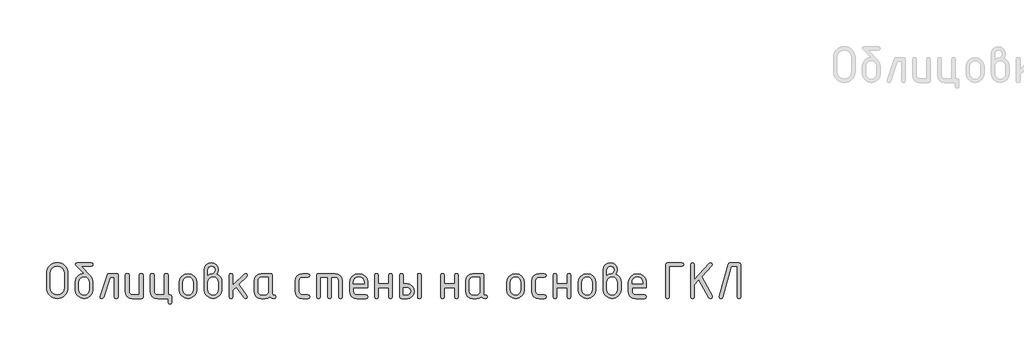
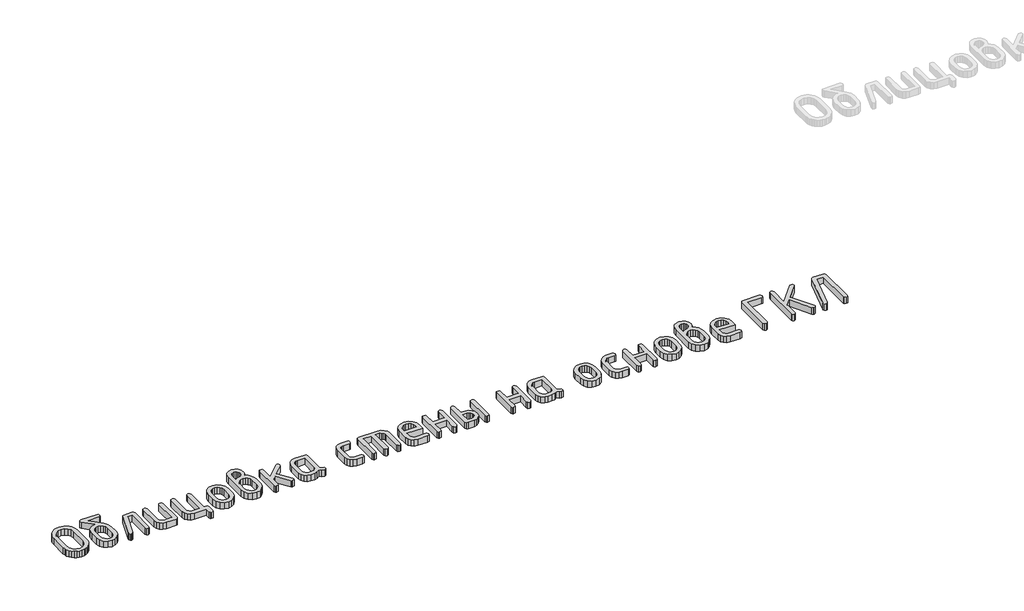
# One storey, part 8 of 33: 1 proxy.
"""IFC4 building model written with IfcOpenShell, lengths in millimetres."""

from ifc_helpers import new_model, si_unit, origin, origin_with_axes, place, context, project, spatial, polyline, outline, extrude, element, save

model = new_model("IFC4")

# Units and contexts
model_context = context("Model", 3, world=origin())
ifc_project = project(units=[si_unit("LENGTHUNIT", "METRE", prefix="MILLI")], contexts=[model_context])

# Site, building, storey
site = spatial("IfcSite", under=ifc_project)
building = spatial("IfcBuilding", under=site)
storey = spatial("IfcBuildingStorey", under=building, Elevation=0.0)

# Proxy
placement = place(None, origin())
element("IfcBuildingElementProxy", 1, Name="Generic Models", at=placement, inside=storey, context=model_context, shape_type="SweptSolid", body=[
    extrude(outline(polyline([(-6828.1912649, -12641.4377514), (-6829.8456608, -12659.6714129), (-6834.8088483, -12676.5230486), (-6843.0808275, -12691.9926585), (-6854.6615984, -12706.0802426), (-6868.5827341, -12717.8022424), (-6883.8758079, -12726.1750994), (-6900.5408197, -12731.1988136), (-6918.5777695, -12732.873385), (-6936.6147193, -12731.1988136), (-6953.279731, -12726.1750994), (-6968.5728048, -12717.8022424), (-6982.4939405, -12706.0802426), (-6994.0747114, -12691.9926585), (-7002.3466906, -12676.5230486), (-7007.3098782, -12659.6714129), (-7008.964274, -12641.4377514), (-7008.964274, -12519.5773747), (-7007.3098782, -12501.3437132), (-7002.3466906, -12484.4920775), (-6994.0747114, -12469.0224676), (-6982.4939405, -12454.9348835), (-6968.5728048, -12443.2128837), (-6953.279731, -12434.8400267), (-6936.6147193, -12429.8163125), (-6918.5777695, -12428.1417411), (-6900.4424638, -12429.8087467), (-6883.7244912, -12434.8097634), (-6868.4238516, -12443.1447912), (-6854.540545, -12454.8138302), (-6843.012735, -12468.8635851), (-6834.778585, -12484.3407608), (-6829.8380949, -12501.2453574), (-6828.1912649, -12519.5773747), (-6828.1912649, -12641.4377514)]), holes=[polyline([(-6859.1809236, -12641.1956447), (-6859.1809236, -12519.8194814), (-6863.4884055, -12496.2947796), (-6876.4108511, -12476.7244873), (-6895.5675444, -12463.5296717), (-6918.5777695, -12459.1313998), (-6941.5879946, -12463.5296717), (-6960.7446879, -12476.7244873), (-6973.6671334, -12496.2947796), (-6977.9746153, -12519.8194814), (-6977.9746153, -12641.1956447), (-6973.6671334, -12664.7203465), (-6960.7446879, -12684.2906388), (-6941.5879946, -12697.4854544), (-6918.5777695, -12701.8837263), (-6895.5675444, -12697.4854544), (-6876.4108511, -12684.2906388), (-6863.4884055, -12664.7203465), (-6859.1809236, -12641.1956447)])]), origin_with_axes(), (0.0, 0.0, 1.0), 50.0),
    extrude(outline(polyline([(-6616.4285971, -12596.0023924), (-6616.4285971, -12656.8518785), (-6621.9062614, -12686.0761758), (-6638.3392543, -12710.6399189), (-6662.5398374, -12727.3150185), (-6691.3202723, -12732.873385), (-6720.1007073, -12727.3049307), (-6744.3012904, -12710.5995678), (-6760.7342832, -12685.9853857), (-6766.2119475, -12656.690474), (-6766.2119475, -12595.7602857), (-6763.6193882, -12574.3287981), (-6755.8417102, -12555.9539077), (-6742.8789135, -12540.6356145), (-6724.7309981, -12528.3739185), (-6709.0142376, -12521.7765107), (-6694.4676595, -12519.5773747), (-6761.0470044, -12452.5945187), (-6766.2119475, -12443.6365705), (-6762.4794691, -12432.0154484), (-6751.2820338, -12428.1417411), (-6631.3585108, -12428.1417411), (-6620.1610756, -12432.0154484), (-6616.4285971, -12443.6365705), (-6620.1610756, -12455.2576925), (-6631.3585108, -12459.1313998), (-6716.3379656, -12459.1313998), (-6640.962077, -12539.5108271), (-6622.5619671, -12566.7881829), (-6616.4285971, -12596.0023924)]), holes=[polyline([(-6647.4182558, -12656.3676651), (-6647.4182558, -12595.7602857), (-6650.6362575, -12578.3286027), (-6660.2902625, -12563.6407957), (-6674.4837683, -12553.6538939), (-6691.3202723, -12550.3249267), (-6708.1567764, -12553.6538939), (-6722.3502822, -12563.6407957), (-6732.0042872, -12578.3286027), (-6735.2222888, -12595.7602857), (-6735.2222888, -12656.3676651), (-6732.0345505, -12673.9607526), (-6722.4713355, -12688.6485595), (-6708.3080931, -12698.5749346), (-6691.3202723, -12701.8837263), (-6674.4837683, -12698.554759), (-6660.2902625, -12688.5678573), (-6650.6362575, -12673.8598748), (-6647.4182558, -12656.3676651)])]), origin_with_axes(), (0.0, 0.0, 1.0), 50.0),
    extrude(outline(polyline([(-6481.090947, -12521.1107172), (-6420.1607587, -12521.1107172), (-6408.5396367, -12524.8835467), (-6404.6659294, -12536.2020354), (-6404.6659294, -12717.7820668), (-6408.5396367, -12729.1005554), (-6420.1607587, -12732.873385), (-6431.7818807, -12729.1005554), (-6435.6555881, -12717.7820668), (-6435.6555881, -12552.1003759), (-6470.2768474, -12552.1003759), (-6527.4140306, -12722.624201), (-6532.7202027, -12730.311089), (-6541.6983264, -12732.873385), (-6553.0773417, -12729.0400288), (-6556.8703468, -12717.5399601), (-6556.1440267, -12712.9399326), (-6496.2629675, -12533.4581593), (-6490.3717042, -12524.1975777), (-6481.090947, -12521.1107172)])), origin_with_axes(), (0.0, 0.0, 1.0), 50.0),
    extrude(outline(polyline([(-6192.9032616, -12536.2020354), (-6192.9032616, -12717.7820668), (-6196.6559156, -12729.1005554), (-6207.9138775, -12732.873385), (-6282.8055527, -12732.873385), (-6306.0276212, -12728.4952887), (-6325.3356312, -12715.3609997), (-6338.3488668, -12695.8512341), (-6342.686612, -12672.3467078), (-6342.686612, -12536.2020354), (-6338.8129046, -12524.8835467), (-6327.1917826, -12521.1107172), (-6315.5706606, -12524.8835467), (-6311.6969533, -12536.2020354), (-6311.6969533, -12671.7817922), (-6309.5381685, -12683.2112464), (-6303.061814, -12692.9661292), (-6293.5793012, -12699.654327), (-6282.4020415, -12701.8837263), (-6223.8929203, -12701.8837263), (-6223.8929203, -12536.2020354), (-6220.019213, -12524.8835467), (-6208.3980909, -12521.1107172), (-6196.7769689, -12524.8835467), (-6192.9032616, -12536.2020354)])), origin_with_axes(), (0.0, 0.0, 1.0), 50.0),
    extrude(outline(polyline([(-5965.6457645, -12701.8837263), (-5954.0246425, -12705.7574336), (-5950.1509351, -12717.3785556), (-5950.1509351, -12763.8630437), (-5954.0246425, -12775.4841657), (-5965.6457645, -12779.357873), (-5977.2668865, -12775.4841657), (-5981.1405938, -12763.8630437), (-5981.1405938, -12732.873385), (-6071.0428849, -12732.873385), (-6094.2649534, -12728.4650253), (-6113.5729634, -12715.2399464), (-6126.586199, -12695.6999174), (-6130.9239442, -12672.3467078), (-6130.9239442, -12536.2020354), (-6127.0502369, -12524.8835467), (-6115.4291148, -12521.1107172), (-6103.8079928, -12524.8835467), (-6099.9342855, -12536.2020354), (-6099.9342855, -12671.7817922), (-6097.7755007, -12683.2112464), (-6091.2991462, -12692.9661292), (-6081.8166335, -12699.654327), (-6070.6393738, -12701.8837263), (-6012.1302525, -12701.8837263), (-6012.1302525, -12536.2020354), (-6008.2565452, -12524.8835467), (-5996.6354232, -12521.1107172), (-5985.0143012, -12524.8835467), (-5981.1405938, -12536.2020354), (-5981.1405938, -12701.8837263), (-5965.6457645, -12701.8837263)])), origin_with_axes(), (0.0, 0.0, 1.0), 50.0),
    extrude(outline(polyline([(-5888.1716177, -12657.2553897), (-5888.1716177, -12596.7287125), (-5882.6939534, -12567.6557319), (-5866.2609606, -12543.2231299), (-5842.0603775, -12526.6388204), (-5813.2799425, -12521.1107172), (-5784.1968742, -12526.5782937), (-5760.0568178, -12542.9810232), (-5743.8054049, -12567.3530985), (-5738.3882673, -12596.7287125), (-5738.3882673, -12657.2553897), (-5743.8659316, -12686.3283703), (-5760.2989245, -12710.7609723), (-5784.4995075, -12727.3452818), (-5813.2799425, -12732.873385), (-5842.0603775, -12727.3452818), (-5866.2609606, -12710.7609723), (-5882.6939534, -12686.3283703), (-5888.1716177, -12657.2553897)]), holes=[polyline([(-5769.377926, -12656.3676651), (-5769.377926, -12595.7602857), (-5772.5959277, -12578.3286027), (-5782.2499327, -12563.6407957), (-5796.4434385, -12553.6538939), (-5813.2799425, -12550.3249267), (-5830.1164466, -12553.6538939), (-5844.3099523, -12563.6407957), (-5853.9639574, -12578.3286027), (-5857.181959, -12595.7602857), (-5857.181959, -12656.3676651), (-5853.9942207, -12673.9607526), (-5844.4310057, -12688.6485595), (-5830.2677633, -12698.5749346), (-5813.2799425, -12701.8837263), (-5796.4434385, -12698.554759), (-5782.2499327, -12688.5678573), (-5772.5959277, -12673.8598748), (-5769.377926, -12656.3676651)])]), origin_with_axes(), (0.0, 0.0, 1.0), 50.0),
    extrude(outline(polyline([(-5571.5767451, -12525.7914469), (-5553.0454941, -12537.18055), (-5538.7712861, -12553.7547717), (-5529.6620212, -12573.8395408), (-5526.6255996, -12595.7602857), (-5526.6255996, -12656.690474), (-5532.1032638, -12686.1367024), (-5548.5362567, -12710.7206211), (-5572.7368398, -12727.335194), (-5601.5172748, -12732.873385), (-5630.4490264, -12727.3049307), (-5654.6193462, -12710.5995678), (-5670.961549, -12685.9853857), (-5676.4089499, -12656.690474), (-5676.4089499, -12489.0719294), (-5672.0812925, -12465.4665253), (-5659.0983203, -12445.8155308), (-5639.9214514, -12432.5601885), (-5617.0121041, -12428.1417411), (-5594.001879, -12432.5904519), (-5574.8451857, -12445.9365842), (-5561.9227401, -12465.617842), (-5557.6152583, -12489.0719294), (-5561.10563, -12509.7922286), (-5571.5767451, -12525.7914469)]), holes=[polyline([(-5557.6152583, -12656.3676651), (-5557.6152583, -12595.7602857), (-5560.8029966, -12578.3286027), (-5570.3662116, -12563.6407957), (-5584.529454, -12553.6538939), (-5601.5172748, -12550.3249267), (-5618.5050955, -12553.6538939), (-5632.6683379, -12563.6407957), (-5642.2315529, -12578.3286027), (-5645.4192912, -12595.7602857), (-5645.4192912, -12656.3676651), (-5642.2315529, -12673.9607526), (-5632.6683379, -12688.6485595), (-5618.5050955, -12698.5749346), (-5601.5172748, -12701.8837263), (-5584.529454, -12698.554759), (-5570.3662116, -12688.5678573), (-5560.8029966, -12673.8598748), (-5557.6152583, -12656.3676651)]), polyline([(-5645.4192912, -12535.8792264), (-5626.9384792, -12524.5607378), (-5610.0717118, -12520.7879083), (-5600.9927102, -12518.14491), (-5592.6400288, -12510.2159153), (-5586.7689411, -12500.3500669), (-5584.8119119, -12490.4438674), (-5586.9908722, -12478.6411654), (-5593.5277534, -12468.8963704), (-5603.292724, -12462.3594893), (-5615.1559527, -12460.1805289), (-5626.807338, -12462.3897526), (-5636.5823964, -12469.0174237), (-5643.2100675, -12478.7924821), (-5645.4192912, -12490.4438674), (-5645.4192912, -12535.8792264)])]), origin_with_axes(), (0.0, 0.0, 1.0), 50.0),
    extrude(outline(polyline([(-5433.6566235, -12620.5358722), (-5338.4279848, -12525.468638), (-5327.6138851, -12521.1107172), (-5316.2348698, -12524.8835467), (-5312.4418647, -12536.2020354), (-5317.0418922, -12546.7740283), (-5383.621237, -12613.2726709), (-5315.4278474, -12709.0662253), (-5312.4418647, -12717.9434713), (-5316.2348698, -12729.1409066), (-5327.6138851, -12732.873385), (-5334.756033, -12731.2593403), (-5340.203434, -12726.4172061), (-5405.4108408, -12634.820168), (-5433.6566235, -12663.0659507), (-5433.6566235, -12717.7013646), (-5437.5303308, -12729.0803799), (-5449.1514528, -12732.873385), (-5460.7725748, -12729.1005554), (-5464.6462822, -12717.7820668), (-5464.6462822, -12536.2020354), (-5460.7725748, -12524.8835467), (-5449.1514528, -12521.1107172), (-5437.5303308, -12524.8835467), (-5433.6566235, -12536.2020354), (-5433.6566235, -12620.5358722)])), origin_with_axes(), (0.0, 0.0, 1.0), 50.0),
    extrude(outline(polyline([(-5072.8369254, -12717.7820668), (-5076.609755, -12729.1005554), (-5087.9282436, -12732.873385), (-5107.0748491, -12728.8584487), (-5122.3880985, -12716.81364), (-5140.8083839, -12728.8584487), (-5162.9813233, -12732.873385), (-5193.0025551, -12732.873385), (-5216.2246236, -12728.4952887), (-5235.5326336, -12715.3609997), (-5248.5458692, -12695.8512341), (-5252.8836144, -12672.3467078), (-5252.8836144, -12581.6373943), (-5248.5458692, -12558.1328681), (-5235.5326336, -12538.6231025), (-5216.2246236, -12525.4888135), (-5193.0025551, -12521.1107172), (-5118.1108799, -12521.1107172), (-5106.852918, -12524.8835467), (-5103.100264, -12536.2020354), (-5103.100264, -12687.5187282), (-5099.3173467, -12698.8372169), (-5087.9685947, -12702.6100464), (-5076.6198428, -12706.4030515), (-5072.8369254, -12717.7820668)]), holes=[polyline([(-5134.0899227, -12552.1003759), (-5192.599044, -12552.1003759), (-5203.8771815, -12554.2894241), (-5213.3395187, -12560.8565685), (-5219.7553464, -12570.5307491), (-5221.8939557, -12582.0409055), (-5221.8939557, -12671.9431967), (-5219.7351709, -12683.3524753), (-5213.2588164, -12693.0468314), (-5203.7763037, -12699.6745026), (-5192.599044, -12701.8837263), (-5163.3848345, -12701.8837263), (-5152.1066969, -12699.6946781), (-5142.6443597, -12693.1275337), (-5136.228532, -12683.4533531), (-5134.0899227, -12671.9431967), (-5134.0899227, -12552.1003759)])]), origin_with_axes(), (0.0, 0.0, 1.0), 50.0),
    extrude(outline(polyline([(-4875.8427669, -12582.0409055), (-4875.8427669, -12671.9431967), (-4873.6032798, -12683.3524753), (-4866.8848187, -12693.0468314), (-4857.079497, -12699.6745026), (-4845.5794283, -12701.8837263), (-4800.0633671, -12701.8837263), (-4788.7448785, -12705.7574336), (-4784.9720489, -12717.3785556), (-4788.7448785, -12728.9996776), (-4800.0633671, -12732.873385), (-4845.5794283, -12732.873385), (-4869.1243057, -12728.4952887), (-4888.9165292, -12715.3609997), (-4902.3534515, -12695.8512341), (-4906.8324256, -12672.3467078), (-4906.8324256, -12581.6373943), (-4902.3534515, -12558.1328681), (-4888.9165292, -12538.6231025), (-4869.1243057, -12525.4888135), (-4845.5794283, -12521.1107172), (-4800.0633671, -12521.1107172), (-4788.7448785, -12524.9844245), (-4784.9720489, -12536.6055466), (-4788.7448785, -12548.2266686), (-4800.0633671, -12552.1003759), (-4845.5794283, -12552.1003759), (-4857.2308137, -12554.2894241), (-4867.005872, -12560.8565685), (-4873.6335432, -12570.5307491), (-4875.8427669, -12582.0409055)])), origin_with_axes(), (0.0, 0.0, 1.0), 50.0),
    extrude(outline(polyline([(-4710.5645872, -12521.1107172), (-4571.111123, -12521.1107172), (-4547.2232611, -12525.5190769), (-4527.2091065, -12538.7441558), (-4513.6511308, -12558.2841847), (-4509.1318056, -12581.6373943), (-4509.1318056, -12717.7820668), (-4513.005513, -12729.1005554), (-4524.626635, -12732.873385), (-4536.247757, -12729.1005554), (-4540.1214643, -12717.7820668), (-4540.1214643, -12582.20231), (-4542.3508636, -12570.4702224), (-4549.0390614, -12560.7758663), (-4559.0158754, -12554.2692485), (-4571.111123, -12552.1003759), (-4602.1007817, -12552.1003759), (-4602.1007817, -12717.7820668), (-4605.9744891, -12729.1005554), (-4617.5956111, -12732.873385), (-4629.2167331, -12729.1005554), (-4633.0904404, -12717.7820668), (-4633.0904404, -12552.1003759), (-4695.0697578, -12552.1003759), (-4695.0697578, -12717.7820668), (-4698.9434651, -12729.1005554), (-4710.5645872, -12732.873385), (-4722.1857092, -12729.1005554), (-4726.0594165, -12717.7820668), (-4726.0594165, -12536.2020354), (-4722.1857092, -12524.8835467), (-4710.5645872, -12521.1107172)])), origin_with_axes(), (0.0, 0.0, 1.0), 50.0),
    extrude(outline(polyline([(-4416.1628295, -12639.9044089), (-4416.1628295, -12670.8940676), (-4413.9233425, -12682.6866818), (-4407.2048813, -12692.7240225), (-4397.3995596, -12699.5938003), (-4385.8994909, -12701.8837263), (-4310.1200912, -12701.8837263), (-4298.7410759, -12705.7574336), (-4294.9480708, -12717.3785556), (-4298.7410759, -12728.9996776), (-4310.1200912, -12732.873385), (-4385.8994909, -12732.873385), (-4409.4443684, -12728.4952887), (-4429.2365918, -12715.3609997), (-4442.6735141, -12695.8512341), (-4447.1524882, -12672.3467078), (-4447.1524882, -12596.7287125), (-4441.533595, -12567.6557319), (-4424.6769154, -12543.2231299), (-4399.9517678, -12526.6388204), (-4370.7274705, -12521.1107172), (-4341.2812421, -12526.4774159), (-4316.8587279, -12542.577512), (-4300.425735, -12566.5057251), (-4294.9480708, -12595.3567745), (-4294.9480708, -12639.9044089), (-4416.1628295, -12639.9044089)]), holes=[polyline([(-4370.7274705, -12548.3073708), (-4388.1591536, -12551.636338), (-4402.8469605, -12561.6232398), (-4412.8338623, -12576.3110468), (-4416.1628295, -12593.7427298), (-4416.1628295, -12608.9147502), (-4325.2921116, -12608.9147502), (-4325.2921116, -12593.7427298), (-4328.6210788, -12576.3110468), (-4338.6079805, -12561.6232398), (-4353.2957875, -12551.636338), (-4370.7274705, -12548.3073708)])]), origin_with_axes(), (0.0, 0.0, 1.0), 50.0),
    extrude(outline(polyline([(-4204.4001617, -12639.9044089), (-4204.4001617, -12717.3785556), (-4208.2738691, -12728.9996776), (-4219.8949911, -12732.873385), (-4231.5161131, -12729.1005554), (-4235.3898204, -12717.7820668), (-4235.3898204, -12536.2020354), (-4231.5161131, -12524.8835467), (-4219.8949911, -12521.1107172), (-4208.2738691, -12524.7624934), (-4204.4001617, -12535.717822), (-4204.4001617, -12608.9147502), (-4116.5961288, -12608.9147502), (-4116.5961288, -12535.717822), (-4112.7224214, -12524.7624934), (-4101.1012994, -12521.1107172), (-4089.4801774, -12524.8835467), (-4085.6064701, -12536.2020354), (-4085.6064701, -12717.7820668), (-4089.4801774, -12729.1005554), (-4101.1012994, -12732.873385), (-4112.7224214, -12728.9996776), (-4116.5961288, -12717.3785556), (-4116.5961288, -12639.9044089), (-4204.4001617, -12639.9044089)])), origin_with_axes(), (0.0, 0.0, 1.0), 50.0),
    extrude(outline(polyline([(-3873.8438023, -12536.2020354), (-3869.9700949, -12524.8835467), (-3858.3489729, -12521.1107172), (-3846.7278509, -12524.8835467), (-3842.8541436, -12536.2020354), (-3842.8541436, -12717.7820668), (-3846.7278509, -12729.1005554), (-3858.3489729, -12732.873385), (-3869.9700949, -12729.1005554), (-3873.8438023, -12717.7820668), (-3873.8438023, -12536.2020354)])), origin_with_axes(), (0.0, 0.0, 1.0), 50.0),
    extrude(outline(polyline([(-3901.766776, -12670.8940676), (-3906.1549601, -12694.9332462), (-3919.3195124, -12714.9171374), (-3938.8595413, -12728.3843231), (-3962.3741554, -12732.873385), (-4008.1323233, -12732.873385), (-4019.7534453, -12729.1005554), (-4023.6271527, -12717.7820668), (-4023.6271527, -12536.2020354), (-4019.7534453, -12524.8835467), (-4008.1323233, -12521.1107172), (-3996.5112013, -12524.7624934), (-3992.637494, -12535.717822), (-3992.637494, -12608.9147502), (-3962.3741554, -12608.9147502), (-3938.8595413, -12613.4038121), (-3919.3195124, -12626.8709977), (-3906.1549601, -12646.854889), (-3901.766776, -12670.8940676)]), holes=[polyline([(-3932.0301146, -12670.8940676), (-3934.209075, -12658.7988199), (-3940.7459561, -12648.822006), (-3950.5109267, -12642.1338082), (-3962.3741554, -12639.9044089), (-3992.637494, -12639.9044089), (-3992.637494, -12701.8837263), (-3962.3741554, -12701.8837263), (-3950.6622434, -12699.6240637), (-3940.8670094, -12692.8450758), (-3934.2393383, -12682.8379985), (-3932.0301146, -12670.8940676)])]), origin_with_axes(), (0.0, 0.0, 1.0), 50.0),
    extrude(outline(polyline([(-3646.5863052, -12639.9044089), (-3646.5863052, -12717.3785556), (-3650.4600125, -12728.9996776), (-3662.0811345, -12732.873385), (-3673.7022565, -12729.1005554), (-3677.5759639, -12717.7820668), (-3677.5759639, -12536.2020354), (-3673.7022565, -12524.8835467), (-3662.0811345, -12521.1107172), (-3650.4600125, -12524.7624934), (-3646.5863052, -12535.717822), (-3646.5863052, -12608.9147502), (-3558.7822722, -12608.9147502), (-3558.7822722, -12535.717822), (-3554.9085648, -12524.7624934), (-3543.2874428, -12521.1107172), (-3531.6663208, -12524.8835467), (-3527.7926135, -12536.2020354), (-3527.7926135, -12717.7820668), (-3531.6663208, -12729.1005554), (-3543.2874428, -12732.873385), (-3554.9085648, -12728.9996776), (-3558.7822722, -12717.3785556), (-3558.7822722, -12639.9044089), (-3646.5863052, -12639.9044089)])), origin_with_axes(), (0.0, 0.0, 1.0), 50.0),
    extrude(outline(polyline([(-3285.7666071, -12717.7820668), (-3289.5394367, -12729.1005554), (-3300.8579253, -12732.873385), (-3320.0045308, -12728.8584487), (-3335.3177802, -12716.81364), (-3353.7380656, -12728.8584487), (-3375.911005, -12732.873385), (-3405.9322368, -12732.873385), (-3429.1543053, -12728.4952887), (-3448.4623153, -12715.3609997), (-3461.4755509, -12695.8512341), (-3465.8132961, -12672.3467078), (-3465.8132961, -12581.6373943), (-3461.4755509, -12558.1328681), (-3448.4623153, -12538.6231025), (-3429.1543053, -12525.4888135), (-3405.9322368, -12521.1107172), (-3331.0405616, -12521.1107172), (-3319.7825997, -12524.8835467), (-3316.0299457, -12536.2020354), (-3316.0299457, -12687.5187282), (-3312.2470284, -12698.8372169), (-3300.8982764, -12702.6100464), (-3289.5495245, -12706.4030515), (-3285.7666071, -12717.7820668)]), holes=[polyline([(-3347.0196044, -12552.1003759), (-3405.5287256, -12552.1003759), (-3416.8068632, -12554.2894241), (-3426.2692003, -12560.8565685), (-3432.6850281, -12570.5307491), (-3434.8236374, -12582.0409055), (-3434.8236374, -12671.9431967), (-3432.6648526, -12683.3524753), (-3426.1884981, -12693.0468314), (-3416.7059854, -12699.6745026), (-3405.5287256, -12701.8837263), (-3376.3145161, -12701.8837263), (-3365.0363786, -12699.6946781), (-3355.5740414, -12693.1275337), (-3349.1582137, -12683.4533531), (-3347.0196044, -12671.9431967), (-3347.0196044, -12552.1003759)])]), origin_with_axes(), (0.0, 0.0, 1.0), 50.0),
    extrude(outline(polyline([(-3119.7621073, -12657.2553897), (-3119.7621073, -12596.7287125), (-3114.284443, -12567.6557319), (-3097.8514502, -12543.2231299), (-3073.6508671, -12526.6388204), (-3044.8704321, -12521.1107172), (-3015.7873637, -12526.5782937), (-2991.6473073, -12542.9810232), (-2975.3958945, -12567.3530985), (-2969.9787569, -12596.7287125), (-2969.9787569, -12657.2553897), (-2975.4564212, -12686.3283703), (-2991.889414, -12710.7609723), (-3016.0899971, -12727.3452818), (-3044.8704321, -12732.873385), (-3073.6508671, -12727.3452818), (-3097.8514502, -12710.7609723), (-3114.284443, -12686.3283703), (-3119.7621073, -12657.2553897)]), holes=[polyline([(-3000.9684156, -12656.3676651), (-3000.9684156, -12595.7602857), (-3004.1864173, -12578.3286027), (-3013.8404223, -12563.6407957), (-3028.0339281, -12553.6538939), (-3044.8704321, -12550.3249267), (-3061.7069361, -12553.6538939), (-3075.9004419, -12563.6407957), (-3085.5544469, -12578.3286027), (-3088.7724486, -12595.7602857), (-3088.7724486, -12656.3676651), (-3085.5847102, -12673.9607526), (-3076.0214953, -12688.6485595), (-3061.8582528, -12698.5749346), (-3044.8704321, -12701.8837263), (-3028.0339281, -12698.554759), (-3013.8404223, -12688.5678573), (-3004.1864173, -12673.8598748), (-3000.9684156, -12656.3676651)])]), origin_with_axes(), (0.0, 0.0, 1.0), 50.0),
    extrude(outline(polyline([(-2877.0097808, -12582.0409055), (-2877.0097808, -12671.9431967), (-2874.7702937, -12683.3524753), (-2868.0518326, -12693.0468314), (-2858.2465109, -12699.6745026), (-2846.7464422, -12701.8837263), (-2801.230381, -12701.8837263), (-2789.9118924, -12705.7574336), (-2786.1390628, -12717.3785556), (-2789.9118924, -12728.9996776), (-2801.230381, -12732.873385), (-2846.7464422, -12732.873385), (-2870.2913196, -12728.4952887), (-2890.0835431, -12715.3609997), (-2903.5204654, -12695.8512341), (-2907.9994395, -12672.3467078), (-2907.9994395, -12581.6373943), (-2903.5204654, -12558.1328681), (-2890.0835431, -12538.6231025), (-2870.2913196, -12525.4888135), (-2846.7464422, -12521.1107172), (-2801.230381, -12521.1107172), (-2789.9118924, -12524.9844245), (-2786.1390628, -12536.6055466), (-2789.9118924, -12548.2266686), (-2801.230381, -12552.1003759), (-2846.7464422, -12552.1003759), (-2858.3978276, -12554.2894241), (-2868.1728859, -12560.8565685), (-2874.8005571, -12570.5307491), (-2877.0097808, -12582.0409055)])), origin_with_axes(), (0.0, 0.0, 1.0), 50.0),
    extrude(outline(polyline([(-2696.2367717, -12639.9044089), (-2696.2367717, -12717.3785556), (-2700.1104791, -12728.9996776), (-2711.7316011, -12732.873385), (-2723.3527231, -12729.1005554), (-2727.2264304, -12717.7820668), (-2727.2264304, -12536.2020354), (-2723.3527231, -12524.8835467), (-2711.7316011, -12521.1107172), (-2700.1104791, -12524.7624934), (-2696.2367717, -12535.717822), (-2696.2367717, -12608.9147502), (-2608.4327387, -12608.9147502), (-2608.4327387, -12535.717822), (-2604.5590314, -12524.7624934), (-2592.9379094, -12521.1107172), (-2581.3167874, -12524.8835467), (-2577.44308, -12536.2020354), (-2577.44308, -12717.7820668), (-2581.3167874, -12729.1005554), (-2592.9379094, -12732.873385), (-2604.5590314, -12728.9996776), (-2608.4327387, -12717.3785556), (-2608.4327387, -12639.9044089), (-2696.2367717, -12639.9044089)])), origin_with_axes(), (0.0, 0.0, 1.0), 50.0),
    extrude(outline(polyline([(-2515.4637626, -12657.2553897), (-2515.4637626, -12596.7287125), (-2509.9860984, -12567.6557319), (-2493.5531055, -12543.2231299), (-2469.3525224, -12526.6388204), (-2440.5720875, -12521.1107172), (-2411.4890191, -12526.5782937), (-2387.3489627, -12542.9810232), (-2371.0975499, -12567.3530985), (-2365.6804123, -12596.7287125), (-2365.6804123, -12657.2553897), (-2371.1580765, -12686.3283703), (-2387.5910694, -12710.7609723), (-2411.7916525, -12727.3452818), (-2440.5720875, -12732.873385), (-2469.3525224, -12727.3452818), (-2493.5531055, -12710.7609723), (-2509.9860984, -12686.3283703), (-2515.4637626, -12657.2553897)]), holes=[polyline([(-2396.670071, -12656.3676651), (-2396.670071, -12595.7602857), (-2399.8880726, -12578.3286027), (-2409.5420776, -12563.6407957), (-2423.7355834, -12553.6538939), (-2440.5720875, -12550.3249267), (-2457.4085915, -12553.6538939), (-2471.6020973, -12563.6407957), (-2481.2561023, -12578.3286027), (-2484.4741039, -12595.7602857), (-2484.4741039, -12656.3676651), (-2481.2863656, -12673.9607526), (-2471.7231506, -12688.6485595), (-2457.5599082, -12698.5749346), (-2440.5720875, -12701.8837263), (-2423.7355834, -12698.554759), (-2409.5420776, -12688.5678573), (-2399.8880726, -12673.8598748), (-2396.670071, -12656.3676651)])]), origin_with_axes(), (0.0, 0.0, 1.0), 50.0),
    extrude(outline(polyline([(-2198.8688901, -12525.7914469), (-2180.3376391, -12537.18055), (-2166.063431, -12553.7547717), (-2156.9541661, -12573.8395408), (-2153.9177445, -12595.7602857), (-2153.9177445, -12656.690474), (-2159.3954088, -12686.1367024), (-2175.8284016, -12710.7206211), (-2200.0289847, -12727.335194), (-2228.8094197, -12732.873385), (-2257.7411714, -12727.3049307), (-2281.9114911, -12710.5995678), (-2298.2536939, -12685.9853857), (-2303.7010949, -12656.690474), (-2303.7010949, -12489.0719294), (-2299.3734375, -12465.4665253), (-2286.3904652, -12445.8155308), (-2267.2135963, -12432.5601885), (-2244.304249, -12428.1417411), (-2221.2940239, -12432.5904519), (-2202.1373306, -12445.9365842), (-2189.214885, -12465.617842), (-2184.9074032, -12489.0719294), (-2188.3977749, -12509.7922286), (-2198.8688901, -12525.7914469)]), holes=[polyline([(-2272.7114362, -12535.8792264), (-2254.2306241, -12524.5607378), (-2237.3638567, -12520.7879083), (-2228.2848551, -12518.14491), (-2219.9321737, -12510.2159153), (-2214.061086, -12500.3500669), (-2212.1040568, -12490.4438674), (-2214.2830172, -12478.6411654), (-2220.8198983, -12468.8963704), (-2230.5848689, -12462.3594893), (-2242.4480976, -12460.1805289), (-2254.0994829, -12462.3897526), (-2263.8745413, -12469.0174237), (-2270.5022125, -12478.7924821), (-2272.7114362, -12490.4438674), (-2272.7114362, -12535.8792264)]), polyline([(-2184.9074032, -12656.3676651), (-2184.9074032, -12595.7602857), (-2188.0951415, -12578.3286027), (-2197.6583565, -12563.6407957), (-2211.821599, -12553.6538939), (-2228.8094197, -12550.3249267), (-2245.7972404, -12553.6538939), (-2259.9604829, -12563.6407957), (-2269.5236978, -12578.3286027), (-2272.7114362, -12595.7602857), (-2272.7114362, -12656.3676651), (-2269.5236978, -12673.9607526), (-2259.9604829, -12688.6485595), (-2245.7972404, -12698.5749346), (-2228.8094197, -12701.8837263), (-2211.821599, -12698.554759), (-2197.6583565, -12688.5678573), (-2188.0951415, -12673.8598748), (-2184.9074032, -12656.3676651)])]), origin_with_axes(), (0.0, 0.0, 1.0), 50.0),
    extrude(outline(polyline([(-2060.9487684, -12639.9044089), (-2060.9487684, -12670.8940676), (-2058.7092813, -12682.6866818), (-2051.9908202, -12692.7240225), (-2042.1854985, -12699.5938003), (-2030.6854298, -12701.8837263), (-1954.90603, -12701.8837263), (-1943.5270147, -12705.7574336), (-1939.7340096, -12717.3785556), (-1943.5270147, -12728.9996776), (-1954.90603, -12732.873385), (-2030.6854298, -12732.873385), (-2054.2303072, -12728.4952887), (-2074.0225307, -12715.3609997), (-2087.459453, -12695.8512341), (-2091.9384271, -12672.3467078), (-2091.9384271, -12596.7287125), (-2086.3195339, -12567.6557319), (-2069.4628543, -12543.2231299), (-2044.7377067, -12526.6388204), (-2015.5134094, -12521.1107172), (-1986.067181, -12526.4774159), (-1961.6446668, -12542.577512), (-1945.2116739, -12566.5057251), (-1939.7340096, -12595.3567745), (-1939.7340096, -12639.9044089), (-2060.9487684, -12639.9044089)]), holes=[polyline([(-2015.5134094, -12548.3073708), (-2032.9450924, -12551.636338), (-2047.6328994, -12561.6232398), (-2057.6198012, -12576.3110468), (-2060.9487684, -12593.7427298), (-2060.9487684, -12608.9147502), (-1970.0780504, -12608.9147502), (-1970.0780504, -12593.7427298), (-1973.4070177, -12576.3110468), (-1983.3939194, -12561.6232398), (-1998.0817264, -12551.636338), (-2015.5134094, -12548.3073708)])]), origin_with_axes(), (0.0, 0.0, 1.0), 50.0),
    extrude(outline(polyline([(-1745.8872383, -12459.1313998), (-1745.8872383, -12717.7013646), (-1749.7609456, -12729.0803799), (-1761.3820676, -12732.873385), (-1773.0031896, -12729.0602043), (-1776.876897, -12717.6206623), (-1776.876897, -12443.3944637), (-1773.0031896, -12431.9549218), (-1761.3820676, -12428.1417411), (-1639.8444999, -12428.1417411), (-1628.4654846, -12432.0154484), (-1624.6724795, -12443.6365705), (-1628.4654846, -12455.2576925), (-1639.8444999, -12459.1313998), (-1745.8872383, -12459.1313998)])), origin_with_axes(), (0.0, 0.0, 1.0), 50.0),
    extrude(outline(polyline([(-1494.9032837, -12573.5671707), (-1534.1245705, -12616.9849738), (-1534.1245705, -12717.6206623), (-1537.9982778, -12729.0602043), (-1549.6193999, -12732.873385), (-1561.2405219, -12729.0602043), (-1565.1142292, -12717.6206623), (-1565.1142292, -12443.3944637), (-1561.2405219, -12431.9549218), (-1549.6193999, -12428.1417411), (-1537.9982778, -12431.9549218), (-1534.1245705, -12443.3944637), (-1534.1245705, -12571.4689126), (-1409.2782111, -12433.225982), (-1397.7377913, -12428.1417411), (-1386.4193027, -12431.9549218), (-1382.6464732, -12443.3944637), (-1386.7622872, -12453.8050522), (-1473.2750844, -12549.5986066), (-1384.6640291, -12710.0346521), (-1382.6464732, -12717.6206623), (-1387.3272029, -12728.1523042), (-1397.7377913, -12732.873385), (-1405.7273127, -12730.8558291), (-1411.295767, -12724.8031614), (-1494.9032837, -12573.5671707)])), origin_with_axes(), (0.0, 0.0, 1.0), 50.0),
    extrude(outline(polyline([(-1233.6701452, -12428.1417411), (-1157.083723, -12428.1417411), (-1145.462601, -12431.9549218), (-1141.5888937, -12443.3944637), (-1141.5888937, -12717.6206623), (-1145.462601, -12729.0602043), (-1157.083723, -12732.873385), (-1168.704845, -12729.0803799), (-1172.5785524, -12717.7013646), (-1172.5785524, -12459.1313998), (-1221.7262142, -12459.1313998), (-1294.5196312, -12722.301392), (-1299.6240477, -12730.2303867), (-1308.9653315, -12732.873385), (-1320.3443468, -12729.0602043), (-1324.1373519, -12717.6206623), (-1322.9268184, -12712.1329103), (-1248.8421656, -12443.3944637), (-1242.9509023, -12431.9549218), (-1233.6701452, -12428.1417411)])), origin_with_axes(), (0.0, 0.0, 1.0), 50.0),
])

save(model, "model.ifc")
